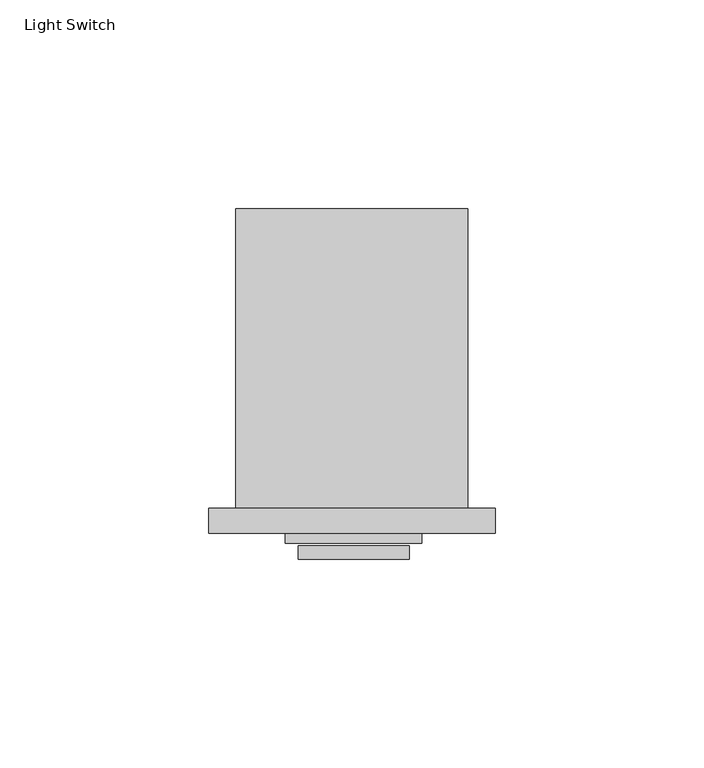
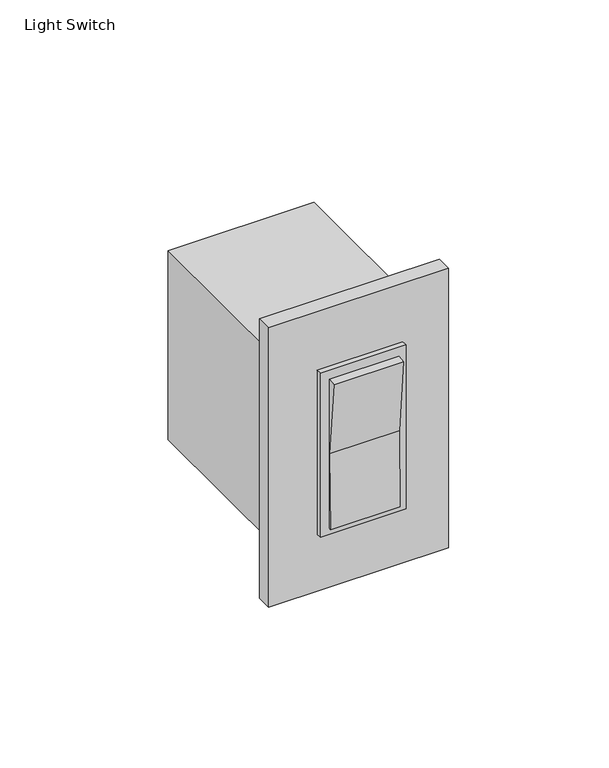
"""IFC4 building model written with IfcOpenShell, lengths in millimetres: proxy geometry, Light Switch."""

from ifc_helpers import new_model, si_unit, frame, origin, place, context, project, spatial, polyline, outline, extrude, source, transform, mapped, element, save


def light_switch_10e7e5e8(model_context):
    return source(origin(), model_context, "Body", "SweptSolid", [
        extrude(outline(polyline([(-6.5024, 0.0), (62.0522, 0.0), (62.0522, -5.8928), (-6.5024, -5.8928), (-6.5024, 0.0)])), frame((0.0, 0.0, 324.612), z_axis=(0.0, 0.0, 1.0), x_axis=(1.0, 0.0, 0.0)), (0.0, 0.0, 1.0), 112.776),
        extrude(outline(polyline([(55.5498, 0.0), (0.0, 0.0), (0.0, 71.7296), (55.5498, 71.7296), (55.5498, 0.0)])), frame((0.0, 0.0, 342.9), z_axis=(0.0, 0.0, 1.0), x_axis=(1.0, 0.0, 0.0)), (0.0, 0.0, 1.0), 76.2),
        extrude(outline(polyline([(-12.1399022, 410.680477), (-8.9646147, 410.9690062), (-8.9646147, 350.7713635), (-9.7583815, 350.7797304), (-9.2208672, 381.0), (-12.1399022, 410.680477)])), frame((14.8985581, 0.0, 0.0), z_axis=(1.0, 0.0, 0.0), x_axis=(0.0, 1.0, 0.0)), (0.0, 0.0, 1.0), 26.5343256),
        extrude(outline(polyline([(0.0, -32.6355666), (0.0, 0.0), (2.4765022, 0.0), (2.4765022, -32.6355666), (0.0, -32.6355666)])), frame((11.8000153, -8.3693022, 347.9297671), z_axis=(2.0889474039442746e-08, 0.0, 0.9999999999999998), x_axis=(0.0, 1.0, 0.0)), (0.0, 0.0, 1.0), 66.1134433),
    ])


if __name__ == "__main__":
    model = new_model("IFC4")
    model_context = context("Model", 3, world=origin())
    ifc_project = project(units=[si_unit("LENGTHUNIT", "METRE", prefix="MILLI")], contexts=[model_context])
    site = spatial("IfcSite", under=ifc_project)
    building = spatial("IfcBuilding", under=site)
    placement = place(None, origin())
    light_switch_shape = light_switch_10e7e5e8(model_context)
    element("IfcBuildingElementProxy", 1, Name="Light Switch", ObjectType="Light Switch", at=placement, inside=building, context=model_context, shape_type="MappedRepresentation", body=[
        mapped(light_switch_shape, transform((0.0, 0.0, 0.0), x_axis=(1.0, 0.0, 0.0), y_axis=(0.0, 1.0, 0.0), z_axis=(0.0, 0.0, 1.0))),
    ])
    save(model, "model.ifc")
